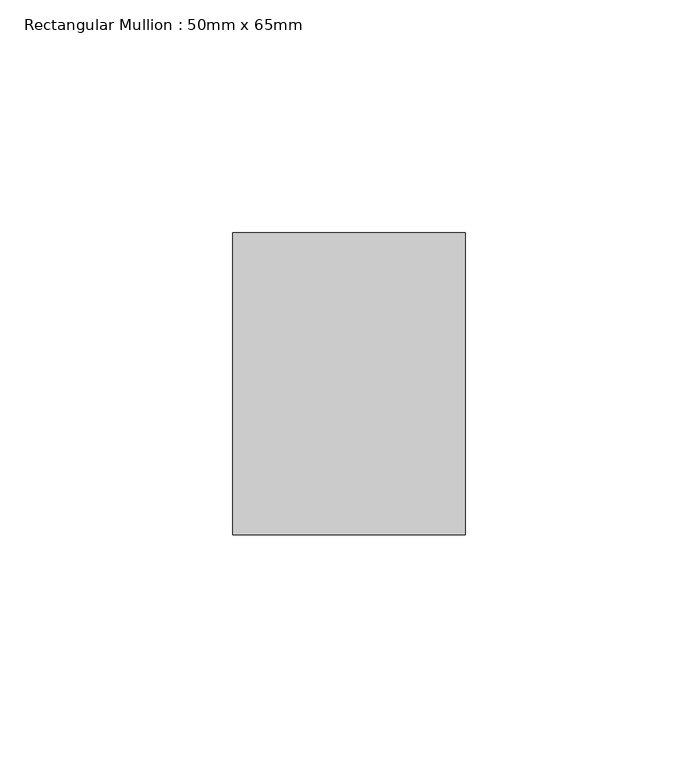
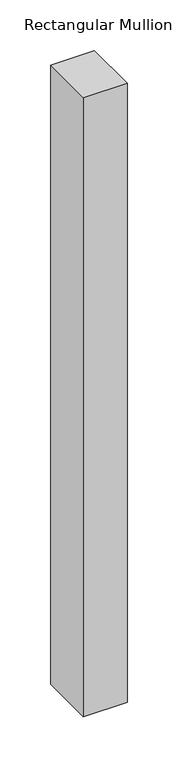
"""IFC4 building model written with IfcOpenShell, lengths in millimetres: member geometry, Rectangular Mullion : 50mm x 65mm."""

from ifc_helpers import new_model, si_unit, frame, origin, place, context, project, spatial, polyline, outline, extrude, source, transform, mapped, element, save


def rectangular_mullion_50mm_x_65mm_6d390efb(model_context):
    return source(origin(), model_context, "Body", "SweptSolid", [
        extrude(outline(polyline([(25.0, 32.5), (25.0, -32.5), (-25.0, -32.5), (-25.0, 32.5), (25.0, 32.5)])), frame((0.0, 0.0, -748.3580685), z_axis=(0.0, 0.0, 1.0), x_axis=(1.0, 0.0, 0.0)), (0.0, 0.0, 1.0), 748.3580685),
    ])


if __name__ == "__main__":
    model = new_model("IFC4")
    model_context = context("Model", 3, world=origin())
    ifc_project = project(units=[si_unit("LENGTHUNIT", "METRE", prefix="MILLI")], contexts=[model_context])
    site = spatial("IfcSite", under=ifc_project)
    building = spatial("IfcBuilding", under=site)
    placement = place(None, origin())
    rectangular_mullion_50mm_x_65mm_shape = rectangular_mullion_50mm_x_65mm_6d390efb(model_context)
    element("IfcMember", 1, ObjectType="Rectangular Mullion : 50mm x 65mm", at=placement, inside=building, context=model_context, shape_type="MappedRepresentation", body=[
        mapped(rectangular_mullion_50mm_x_65mm_shape, transform((0.0, 0.0, 0.0), x_axis=(1.0, 0.0, 0.0), y_axis=(0.0, 1.0, 0.0), z_axis=(0.0, 0.0, 1.0))),
    ])
    save(model, "model.ifc")
